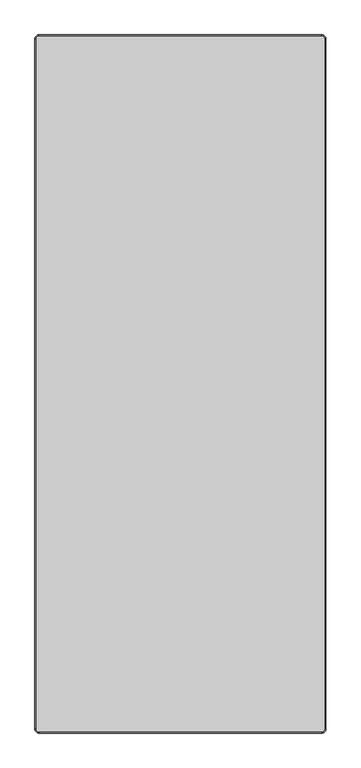
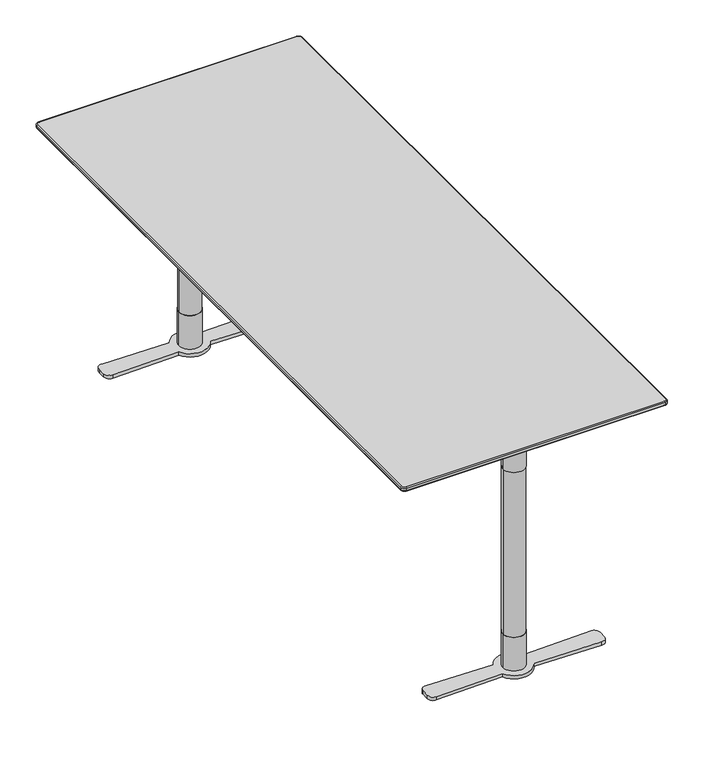
"""IFC4 building model written with IfcOpenShell, lengths in millimetres: furniture geometry."""

from ifc_helpers import new_model, si_unit, point, frame, frame_2d, origin, origin_with_axes, place, context, project, spatial, polyline, circle_curve, ellipse_curve, trimmed, segment, composite_curve, outline, extrude, source, transform, mapped, element, save
from ifc_brep_helpers import plane_surface, cylinder_surface, revolved_surface, spline_surface, advanced_brep


def furniture_7637d9da(model_context):
    return source(origin(), model_context, "Body", "SolidModel", [
        advanced_brep(
        [(-365.0, -898.6840403, 718.2400004), (-365.0, -900.0, 720.1193857), (-375.0, -890.0, 720.1193857), (-373.6840403, -890.0, 718.2400004), (-365.0, -900.0, 728.0), (-365.0, -898.0, 730.0), (-373.0, -890.0, 730.0), (-375.0, -890.0, 728.0), (365.0, -898.6840403, 718.2400004), (365.0, -900.0, 720.1193857), (365.0, -900.0, 728.0), (365.0, -898.0, 730.0), (373.6840403, -890.0, 718.2400004), (375.0, -890.0, 720.1193857), (375.0, -890.0, 728.0), (373.0, -890.0, 730.0), (373.6840403, 890.0, 718.2400004), (375.0, 890.0, 720.1193857), (375.0, 890.0, 728.0), (373.0, 890.0, 730.0), (365.0, 898.6840403, 718.2400004), (365.0, 900.0, 720.1193857), (365.0, 900.0, 728.0), (365.0, 898.0, 730.0), (-365.0, 898.6840403, 718.2400004), (-365.0, 900.0, 720.1193857), (-365.0, 900.0, 728.0), (-365.0, 898.0, 730.0), (-373.6840403, 890.0, 718.2400004), (-375.0, 890.0, 720.1193857), (-375.0, 890.0, 728.0), (-373.0, 890.0, 730.0)],
        [
            (0, 1, circle_curve(frame((-365.0, -898.0, 720.1193857), z_axis=(-1.0, 0.0, 0.0), x_axis=(0.0, 1.0, 0.0)), 2.0)),
            (1, 2, circle_curve(frame((-365.0, -890.0, 720.1193857), z_axis=(0.0, 0.0, -1.0), x_axis=(-1.0, 0.0, 0.0)), 10.0)),
            (2, 3, circle_curve(frame((-373.0, -890.0, 720.1193857), z_axis=(0.0, -1.0, 0.0), x_axis=(1.0, 0.0, 0.0)), 2.0)),
            (3, 0, circle_curve(frame((-365.0, -890.0, 718.2400004), z_axis=(0.0, 0.0, 1.0), x_axis=(-1.0, 0.0, 0.0)), 8.6840403)),
            (4, 5, circle_curve(frame((-365.0, -898.0, 728.0), z_axis=(-1.0, 0.0, 0.0), x_axis=(0.0, 1.0, 0.0)), 2.0)),
            (5, 6, circle_curve(frame((-365.0, -890.0, 730.0), z_axis=(0.0, 0.0, -1.0), x_axis=(-1.0, 0.0, 0.0)), 8.0)),
            (6, 7, circle_curve(frame((-373.0, -890.0, 728.0), z_axis=(0.0, -1.0, 0.0), x_axis=(1.0, 0.0, 0.0)), 2.0)),
            (7, 4, circle_curve(frame((-365.0, -890.0, 728.0), z_axis=(0.0, 0.0, 1.0), x_axis=(-1.0, 0.0, 0.0)), 10.0)),
            (0, 8),
            (8, 9, circle_curve(frame((365.0, -898.0, 720.1193857), z_axis=(-1.0, 0.0, 0.0), x_axis=(0.0, 1.0, 0.0)), 2.0)),
            (9, 1),
            (4, 10),
            (10, 11, circle_curve(frame((365.0, -898.0, 728.0), z_axis=(-1.0, 0.0, 0.0), x_axis=(0.0, 1.0, 0.0)), 2.0)),
            (11, 5),
            (8, 12, circle_curve(frame((365.0, -890.0, 718.2400004), z_axis=(0.0, 0.0, 1.0), x_axis=(0.0, -1.0, 0.0)), 8.6840403)),
            (12, 13, circle_curve(frame((373.0, -890.0, 720.1193857), z_axis=(0.0, -1.0, 0.0), x_axis=(-1.0, 0.0, 0.0)), 2.0)),
            (13, 9, circle_curve(frame((365.0, -890.0, 720.1193857), z_axis=(0.0, 0.0, -1.0), x_axis=(0.0, -1.0, 0.0)), 10.0)),
            (10, 14, circle_curve(frame((365.0, -890.0, 728.0), z_axis=(0.0, 0.0, 1.0), x_axis=(0.0, -1.0, 0.0)), 10.0)),
            (14, 15, circle_curve(frame((373.0, -890.0, 728.0), z_axis=(0.0, -1.0, 0.0), x_axis=(-1.0, 0.0, 0.0)), 2.0)),
            (15, 11, circle_curve(frame((365.0, -890.0, 730.0), z_axis=(0.0, 0.0, -1.0), x_axis=(0.0, -1.0, 0.0)), 8.0)),
            (12, 16),
            (16, 17, circle_curve(frame((373.0, 890.0, 720.1193857), z_axis=(0.0, -1.0, 0.0), x_axis=(-1.0, 0.0, 0.0)), 2.0)),
            (17, 13),
            (14, 18),
            (18, 19, circle_curve(frame((373.0, 890.0, 728.0), z_axis=(0.0, -1.0, 0.0), x_axis=(-1.0, 0.0, 0.0)), 2.0)),
            (19, 15),
            (16, 20, circle_curve(frame((365.0, 890.0, 718.2400004), z_axis=(0.0, 0.0, 1.0), x_axis=(1.0, 0.0, 0.0)), 8.6840403)),
            (20, 21, circle_curve(frame((365.0, 898.0, 720.1193857), z_axis=(1.0, 0.0, 0.0), x_axis=(0.0, -1.0, 0.0)), 2.0)),
            (21, 17, circle_curve(frame((365.0, 890.0, 720.1193857), z_axis=(0.0, 0.0, -1.0), x_axis=(1.0, 0.0, 0.0)), 10.0)),
            (18, 22, circle_curve(frame((365.0, 890.0, 728.0), z_axis=(0.0, 0.0, 1.0), x_axis=(1.0, 0.0, 0.0)), 10.0)),
            (22, 23, circle_curve(frame((365.0, 898.0, 728.0), z_axis=(1.0, 0.0, 0.0), x_axis=(0.0, -1.0, 0.0)), 2.0)),
            (23, 19, circle_curve(frame((365.0, 890.0, 730.0), z_axis=(0.0, 0.0, -1.0), x_axis=(1.0, 0.0, 0.0)), 8.0)),
            (20, 24),
            (24, 25, circle_curve(frame((-365.0, 898.0, 720.1193857), z_axis=(1.0, 0.0, 0.0), x_axis=(0.0, -1.0, 0.0)), 2.0)),
            (25, 21),
            (22, 26),
            (26, 27, circle_curve(frame((-365.0, 898.0, 728.0), z_axis=(1.0, 0.0, 0.0), x_axis=(0.0, -1.0, 0.0)), 2.0)),
            (27, 23),
            (24, 28, circle_curve(frame((-365.0, 890.0, 718.2400004), z_axis=(0.0, 0.0, 1.0), x_axis=(0.0, 1.0, 0.0)), 8.6840403)),
            (28, 29, circle_curve(frame((-373.0, 890.0, 720.1193857), z_axis=(0.0, 1.0, 0.0), x_axis=(1.0, 0.0, 0.0)), 2.0)),
            (29, 25, circle_curve(frame((-365.0, 890.0, 720.1193857), z_axis=(0.0, 0.0, -1.0), x_axis=(0.0, 1.0, 0.0)), 10.0)),
            (26, 30, circle_curve(frame((-365.0, 890.0, 728.0), z_axis=(0.0, 0.0, 1.0), x_axis=(0.0, 1.0, 0.0)), 10.0)),
            (30, 31, circle_curve(frame((-373.0, 890.0, 728.0), z_axis=(0.0, 1.0, 0.0), x_axis=(1.0, 0.0, 0.0)), 2.0)),
            (31, 27, circle_curve(frame((-365.0, 890.0, 730.0), z_axis=(0.0, 0.0, -1.0), x_axis=(0.0, 1.0, 0.0)), 8.0)),
            (2, 29),
            (28, 3),
            (6, 31),
            (30, 7),
            (22, 21),
            (25, 26),
            (30, 29),
            (2, 7),
            (4, 1),
            (9, 10),
            (14, 13),
            (17, 18),
        ],
        [
            revolved_surface(trimmed(ellipse_curve(frame((-373.0, -890.0, 720.1193857), z_axis=(0.0, 1.0, 0.0), x_axis=(1.0, 0.0, 0.0)), 2.0, 2.0), [point((-373.6840403, -890.0, 718.2400004))], [point((-375.0, -890.0, 720.1193857))], True, "CARTESIAN"), (-365.0, -890.0, 0.0), (0.0, 0.0, 1.0)),
            revolved_surface(trimmed(ellipse_curve(frame((-373.0, -890.0, 728.0), z_axis=(0.0, 1.0, 0.0), x_axis=(1.0, 0.0, 0.0)), 2.0, 2.0), [point((-375.0, -890.0, 728.0))], [point((-373.0, -890.0, 730.0))], True, "CARTESIAN"), (-365.0, -890.0, 0.0), (0.0, 0.0, 1.0)),
            cylinder_surface(frame((-365.0, -898.0, 720.1193857), z_axis=(1.0, 0.0, 0.0), x_axis=(0.0, 1.0, 0.0)), 2.0),
            cylinder_surface(frame((-365.0, -898.0, 728.0), z_axis=(1.0, 0.0, 0.0), x_axis=(0.0, 1.0, 0.0)), 2.0),
            revolved_surface(trimmed(ellipse_curve(frame((365.0, -898.0, 720.1193857), z_axis=(-1.0, 0.0, 0.0), x_axis=(0.0, 1.0, 0.0)), 2.0, 2.0), [point((365.0, -898.6840403, 718.2400004))], [point((365.0, -900.0, 720.1193857))], True, "CARTESIAN"), (365.0, -890.0, 0.0), (0.0, 0.0, 1.0)),
            revolved_surface(trimmed(ellipse_curve(frame((365.0, -898.0, 728.0), z_axis=(-1.0, 0.0, 0.0), x_axis=(0.0, 1.0, 0.0)), 2.0, 2.0), [point((365.0, -900.0, 728.0))], [point((365.0, -898.0, 730.0))], True, "CARTESIAN"), (365.0, -890.0, 0.0), (0.0, 0.0, 1.0)),
            cylinder_surface(frame((373.0, -890.0, 720.1193857), z_axis=(0.0, 1.0, 0.0), x_axis=(-1.0, 0.0, 0.0)), 2.0),
            cylinder_surface(frame((373.0, -890.0, 728.0), z_axis=(0.0, 1.0, 0.0), x_axis=(-1.0, 0.0, 0.0)), 2.0),
            revolved_surface(trimmed(ellipse_curve(frame((373.0, 890.0, 720.1193857), z_axis=(0.0, -1.0, 0.0), x_axis=(-1.0, 0.0, 0.0)), 2.0, 2.0), [point((373.6840403, 890.0, 718.2400004))], [point((375.0, 890.0, 720.1193857))], True, "CARTESIAN"), (365.0, 890.0, 0.0), (0.0, 0.0, 1.0)),
            revolved_surface(trimmed(ellipse_curve(frame((373.0, 890.0, 728.0), z_axis=(0.0, -1.0, 0.0), x_axis=(-1.0, 0.0, 0.0)), 2.0, 2.0), [point((375.0, 890.0, 728.0))], [point((373.0, 890.0, 730.0))], True, "CARTESIAN"), (365.0, 890.0, 0.0), (0.0, 0.0, 1.0)),
            cylinder_surface(frame((365.0, 898.0, 720.1193857), z_axis=(-1.0, 0.0, 0.0), x_axis=(0.0, -1.0, 0.0)), 2.0),
            cylinder_surface(frame((365.0, 898.0, 728.0), z_axis=(-1.0, 0.0, 0.0), x_axis=(0.0, -1.0, 0.0)), 2.0),
            revolved_surface(trimmed(ellipse_curve(frame((-365.0, 898.0, 720.1193857), z_axis=(1.0, 0.0, 0.0), x_axis=(0.0, -1.0, 0.0)), 2.0, 2.0), [point((-365.0, 898.6840403, 718.2400004))], [point((-365.0, 900.0, 720.1193857))], True, "CARTESIAN"), (-365.0, 890.0, 0.0), (0.0, 0.0, 1.0)),
            revolved_surface(trimmed(ellipse_curve(frame((-365.0, 898.0, 728.0), z_axis=(1.0, 0.0, 0.0), x_axis=(0.0, -1.0, 0.0)), 2.0, 2.0), [point((-365.0, 900.0, 728.0))], [point((-365.0, 898.0, 730.0))], True, "CARTESIAN"), (-365.0, 890.0, 0.0), (0.0, 0.0, 1.0)),
            cylinder_surface(frame((-373.0, 890.0, 720.1193857), z_axis=(0.0, -1.0, 0.0), x_axis=(1.0, 0.0, 0.0)), 2.0),
            cylinder_surface(frame((-373.0, 890.0, 728.0), z_axis=(0.0, -1.0, 0.0), x_axis=(1.0, 0.0, 0.0)), 2.0),
            plane_surface(frame((-305.0, 900.0, 730.0), z_axis=(0.0, 0.0, 1.0), x_axis=(-1.0, 0.0, 0.0))),
            plane_surface(frame((-305.0, 900.0, 718.2400004), z_axis=(0.0, 0.0, -1.0), x_axis=(1.0, 0.0, 0.0))),
            plane_surface(frame((365.0, 900.0, 730.0), z_axis=(0.0, 1.0, 0.0), x_axis=(0.0, 0.0, -1.0))),
            plane_surface(frame((-375.0, 890.0, 730.0), z_axis=(-1.0, 0.0, 0.0), x_axis=(0.0, 0.0, -1.0))),
            plane_surface(frame((-365.0, -900.0, 730.0), z_axis=(0.0, -1.0, 0.0), x_axis=(0.0, 0.0, -1.0))),
            plane_surface(frame((375.0, -890.0, 730.0), z_axis=(1.0, 0.0, 0.0), x_axis=(0.0, 0.0, -1.0))),
            cylinder_surface(frame((-365.0, 890.0, 718.2400004), z_axis=(0.0, 0.0, 1.0), x_axis=(1.0, 0.0, 0.0)), 10.0),
            cylinder_surface(frame((-365.0, -890.0, 718.2400004), z_axis=(0.0, 0.0, 1.0), x_axis=(1.0, 0.0, 0.0)), 10.0),
            cylinder_surface(frame((365.0, -890.0, 718.2400004), z_axis=(0.0, 0.0, 1.0), x_axis=(1.0, 0.0, 0.0)), 10.0),
            cylinder_surface(frame((365.0, 890.0, 718.2400004), z_axis=(0.0, 0.0, 1.0), x_axis=(1.0, 0.0, 0.0)), 10.0),
        ],
        [
            (0, [[1, 2, 3, 4]]),
            (1, [[5, 6, 7, 8]]),
            (2, [[-1, 9, 10, 11]]),
            (3, [[-5, 12, 13, 14]]),
            (4, [[-10, 15, 16, 17]]),
            (5, [[-13, 18, 19, 20]]),
            (6, [[-16, 21, 22, 23]]),
            (7, [[-19, 24, 25, 26]]),
            (8, [[-22, 27, 28, 29]]),
            (9, [[-25, 30, 31, 32]]),
            (10, [[-28, 33, 34, 35]]),
            (11, [[-31, 36, 37, 38]]),
            (12, [[-34, 39, 40, 41]]),
            (13, [[-37, 42, 43, 44]]),
            (14, [[-3, 45, -40, 46]]),
            (15, [[-7, 47, -43, 48]]),
            (16, [[-6, -14, -20, -26, -32, -38, -44, -47]]),
            (17, [[-4, -46, -39, -33, -27, -21, -15, -9]]),
            (18, [[49, -35, 50, -36]]),
            (19, [[51, -45, 52, -48]]),
            (20, [[53, -11, 54, -12]]),
            (21, [[55, -23, 56, -24]]),
            (22, [[-51, -42, -50, -41]]),
            (23, [[-53, -8, -52, -2]]),
            (24, [[-55, -18, -54, -17]]),
            (25, [[-49, -30, -56, -29]]),
        ],
    ),
        extrude(outline(composite_curve([segment(polyline([(-792.1006543, 642.9632916), (-792.1006543, 702.7932592), (-662.0000045, 702.7932592), (-662.0000045, 696.6995396)]), True, "CONTINUOUS"), segment(trimmed(circle_curve(frame_2d((-671.0000045, 696.6995396)), 9.0), [point((-662.0000045, 696.6995396))], [point((-667.9169166, 688.2440935))], False, "CARTESIAN"), True, "CONTINUOUS"), segment(polyline([(-667.9169166, 688.2440935), (-792.1006543, 642.9632916)]), True, "CONTINUOUS")], self_intersect=False)), frame((-2.5512191, 0.0, 0.0), z_axis=(1.0, 0.0, 0.0), x_axis=(0.0, 1.0, 0.0)), (0.0, 0.0, 1.0), 5.1024383),
        extrude(outline(polyline([(175.0000945, -839.2976854), (-175.0000945, -839.2976854), (-175.0000945, -617.041139), (175.0000945, -617.041139), (175.0000945, -839.2976854)])), frame((0.0, 0.0, 702.7932592), z_axis=(0.0, 0.0, 1.0), x_axis=(1.0, 0.0, 0.0)), (0.0, 0.0, 1.0), 5.0000027),
        extrude(outline(composite_curve([segment(trimmed(circle_curve(frame_2d((0.0, -792.1010023)), 31.0), [point((-31.0, -792.1010023))], [point((31.0, -792.1010023))], False, "CARTESIAN"), True, "CONTINUOUS"), segment(trimmed(circle_curve(frame_2d((0.0, -792.1010023)), 31.0), [point((31.0, -792.1010023))], [point((-31.0, -792.1010023))], False, "CARTESIAN"), True, "CONTINUOUS")], self_intersect=False)), frame((0.0, 0.0, 602.7932663), z_axis=(0.0, 0.0, 1.0), x_axis=(1.0, 0.0, 0.0)), (0.0, 0.0, 1.0), 99.999993),
        extrude(outline(composite_curve([segment(trimmed(circle_curve(frame_2d((0.0, -792.1010023)), 30.0), [point((-30.0, -792.1010023))], [point((30.0, -792.1010023))], False, "CARTESIAN"), True, "CONTINUOUS"), segment(trimmed(circle_curve(frame_2d((0.0, -792.1010023)), 30.0), [point((30.0, -792.1010023))], [point((-30.0, -792.1010023))], False, "CARTESIAN"), True, "CONTINUOUS")], self_intersect=False)), frame((0.0, 0.0, 110.0016526), z_axis=(0.0, 0.0, 1.0), x_axis=(1.0, 0.0, 0.0)), (0.0, 0.0, 1.0), 492.7916137),
        extrude(outline(composite_curve([segment(trimmed(circle_curve(frame_2d((0.0, -792.1010023)), 31.0), [point((-31.0, -792.1010023))], [point((31.0, -792.1010023))], False, "CARTESIAN"), True, "CONTINUOUS"), segment(trimmed(circle_curve(frame_2d((0.0, -792.1010023)), 31.0), [point((31.0, -792.1010023))], [point((-31.0, -792.1010023))], False, "CARTESIAN"), True, "CONTINUOUS")], self_intersect=False)), frame((0.0, 0.0, 10.0000044), z_axis=(0.0, 0.0, 1.0), x_axis=(1.0, 0.0, 0.0)), (0.0, 0.0, 1.0), 100.0016481),
        extrude(outline(composite_curve([segment(trimmed(circle_curve(frame_2d((-233.9319221, -802.6584625)), 16.0), [point((-233.5735334, -818.6544482))], [point((-249.9319221, -802.6584625))], False, "CARTESIAN"), True, "CONTINUOUS"), segment(polyline([(-249.9319221, -802.6584625), (-249.9319221, -781.3415191)]), True, "CONTINUOUS"), segment(trimmed(circle_curve(frame_2d((-233.9319221, -781.3415191)), 16.0), [point((-249.9319221, -781.3415191))], [point((-233.5735272, -765.3455336))], False, "CARTESIAN"), True, "CONTINUOUS"), segment(polyline([(-233.5735272, -765.3455336), (-44.690162, -769.5775224)]), True, "CONTINUOUS"), segment(trimmed(circle_curve(frame_2d((6.2e-06, -792.0008125)), 50.0001508), [point((-44.690162, -769.5775224))], [point((44.6901745, -769.5775224))], False, "CARTESIAN"), True, "CONTINUOUS"), segment(polyline([(44.6901745, -769.5775224), (233.6737057, -765.3455386)]), True, "CONTINUOUS"), segment(trimmed(circle_curve(frame_2d((234.0319103, -781.3415284)), 16.0), [point((233.6737057, -765.3455386))], [point((250.0319103, -781.3415284))], False, "CARTESIAN"), True, "CONTINUOUS"), segment(polyline([(250.0319103, -781.3415284), (250.0319103, -802.6584533)]), True, "CONTINUOUS"), segment(trimmed(circle_curve(frame_2d((234.0319103, -802.6584533)), 16.0), [point((250.0319103, -802.6584533))], [point((233.6737118, -818.6544432))], False, "CARTESIAN"), True, "CONTINUOUS"), segment(polyline([(233.6737118, -818.6544432), (44.6901745, -814.4225322)]), True, "CONTINUOUS"), segment(trimmed(circle_curve(frame_2d((6.2e-06, -792.0003263)), 49.9996645), [point((44.6901745, -814.4225322))], [point((-44.690162, -814.4225322))], False, "CARTESIAN"), True, "CONTINUOUS"), segment(polyline([(-44.690162, -814.4225322), (-233.5735334, -818.6544482)]), True, "CONTINUOUS")], self_intersect=False)), origin_with_axes(), (0.0, 0.0, 1.0), 10.0000044),
        extrude(outline(composite_curve([segment(polyline([(792.1006543, 642.9632916), (667.9169166, 688.2440935)]), True, "CONTINUOUS"), segment(trimmed(circle_curve(frame_2d((671.0000045, 696.6995396)), 9.0), [point((667.9169166, 688.2440935))], [point((662.0000045, 696.6995396))], False, "CARTESIAN"), True, "CONTINUOUS"), segment(polyline([(662.0000045, 696.6995396), (662.0000045, 702.7932592), (792.1006543, 702.7932592), (792.1006543, 642.9632916)]), True, "CONTINUOUS")], self_intersect=False)), frame((-2.5512191, 0.0, 0.0), z_axis=(1.0, 0.0, 0.0), x_axis=(0.0, 1.0, 0.0)), (0.0, 0.0, 1.0), 5.1024383),
        advanced_brep(
        [(365.0, 898.6840403, 718.2400004), (-365.0, 898.6840403, 718.2400004), (-373.6840403, 890.0, 718.2400004), (-373.6840403, -890.0, 718.2400004), (-365.0, -898.6840403, 718.2400004), (365.0, -898.6840403, 718.2400004), (373.6840403, -890.0, 718.2400004), (373.6840403, 890.0, 718.2400004), (337.030341, 870.0, 707.7932619), (345.0, 862.030341, 707.7932619), (345.0, -862.030341, 707.7932619), (337.030341, -870.0, 707.7932619), (-337.030341, -870.0, 707.7932619), (-345.0, -862.030341, 707.7932619), (-345.0, 862.030341, 707.7932619), (-337.030341, 870.0, 707.7932619)],
        [
            (0, 1),
            (1, 2, circle_curve(frame((-365.0, 890.0, 718.2400004), z_axis=(0.0, 0.0, 1.0), x_axis=(1.0, 0.0, 0.0)), 8.6840403)),
            (2, 3),
            (3, 4, circle_curve(frame((-365.0, -890.0, 718.2400004), z_axis=(0.0, 0.0, 1.0), x_axis=(1.0, 0.0, 0.0)), 8.6840403)),
            (4, 5),
            (5, 6, circle_curve(frame((365.0, -890.0, 718.2400004), z_axis=(0.0, 0.0, 1.0), x_axis=(1.0, 0.0, 0.0)), 8.6840403)),
            (6, 7),
            (7, 0, circle_curve(frame((365.0, 890.0, 718.2400004), z_axis=(0.0, 0.0, 1.0), x_axis=(1.0, 0.0, 0.0)), 8.6840403)),
            (8, 9, circle_curve(frame((337.030341, 862.030341, 707.7932619), z_axis=(0.0, 0.0, -1.0), x_axis=(1.0, 0.0, 0.0)), 7.969659)),
            (9, 10),
            (10, 11, circle_curve(frame((337.030341, -862.030341, 707.7932619), z_axis=(0.0, 0.0, -1.0), x_axis=(1.0, 0.0, 0.0)), 7.969659)),
            (11, 12),
            (12, 13, circle_curve(frame((-337.030341, -862.030341, 707.7932619), z_axis=(0.0, 0.0, -1.0), x_axis=(1.0, 0.0, 0.0)), 7.969659)),
            (13, 14),
            (14, 15, circle_curve(frame((-337.030341, 862.030341, 707.7932619), z_axis=(0.0, 0.0, -1.0), x_axis=(1.0, 0.0, 0.0)), 7.969659)),
            (15, 8),
            (15, 1),
            (0, 8),
            (14, 2),
            (13, 3),
            (12, 4),
            (11, 5),
            (10, 6),
            (9, 7),
        ],
        [
            plane_surface(frame((0.0, 0.0, 718.2400004), z_axis=(0.0, 0.0, 1.0), x_axis=(-1.0, 0.0, 0.0))),
            plane_surface(frame((0.0, 0.0, 707.7932619), z_axis=(0.0, 0.0, -1.0), x_axis=(-1.0, 0.0, 0.0))),
            plane_surface(frame((0.0, 870.0, 707.7932619), z_axis=(0.0, 0.34221109305817343, -0.9396230987943678), x_axis=(-1.0, 0.0, 0.0))),
            spline_surface(2, 1, [[(-337.030341, 870.0, 707.7932619), (-365.0, 898.6840403, 718.2400004)], [(-345.0, 870.0, 707.7932619), (-373.6840403, 898.6840403, 718.2400004)], [(-345.0, 862.030341, 707.7932619), (-373.6840403, 890.0, 718.2400004)]], [3, 3], [2, 2], [0.0, 1.0], [0.0, 1.0], weights=[[1.0, 1.0], [0.7071067811865476, 0.7071067811865476], [1.0, 1.0]]),
            plane_surface(frame((-345.0, 0.0, 707.7932619), z_axis=(-0.3422110930581856, 0.0, -0.9396230987943633), x_axis=(0.0, -1.0, 0.0))),
            spline_surface(2, 1, [[(-345.0, -862.030341, 707.7932619), (-373.6840403, -890.0, 718.2400004)], [(-345.0, -870.0, 707.7932619), (-373.6840403, -898.6840403, 718.2400004)], [(-337.030341, -870.0, 707.7932619), (-365.0, -898.6840403, 718.2400004)]], [3, 3], [2, 2], [0.0, 1.0], [0.0, 1.0], weights=[[1.0, 1.0], [0.7071067811865476, 0.7071067811865476], [1.0, 1.0]]),
            plane_surface(frame((0.0, -870.0, 707.7932619), z_axis=(0.0, -0.34221109305817204, -0.9396230987943682), x_axis=(1.0, 0.0, 0.0))),
            spline_surface(2, 1, [[(337.030341, -870.0, 707.7932619), (365.0, -898.6840403, 718.2400004)], [(345.0, -870.0, 707.7932619), (373.6840403, -898.6840403, 718.2400004)], [(345.0, -862.030341, 707.7932619), (373.6840403, -890.0, 718.2400004)]], [3, 3], [2, 2], [0.0, 1.0], [0.0, 1.0], weights=[[1.0, 1.0], [0.7071067811865476, 0.7071067811865476], [1.0, 1.0]]),
            plane_surface(frame((345.0, 0.0, 707.7932619), z_axis=(0.34221109305816205, 0.0, -0.939623098794372), x_axis=(0.0, 1.0, 0.0))),
            spline_surface(2, 1, [[(345.0, 862.030341, 707.7932619), (373.6840403, 890.0, 718.2400004)], [(345.0, 870.0, 707.7932619), (373.6840403, 898.6840403, 718.2400004)], [(337.030341, 870.0, 707.7932619), (365.0, 898.6840403, 718.2400004)]], [3, 3], [2, 2], [0.0, 1.0], [0.0, 1.0], weights=[[1.0, 1.0], [0.7071067811865476, 0.7071067811865476], [1.0, 1.0]]),
        ],
        [
            (0, [[1, 2, 3, 4, 5, 6, 7, 8]]),
            (1, [[9, 10, 11, 12, 13, 14, 15, 16]]),
            (2, [[-16, 17, -1, 18]]),
            (3, [[-15, 19, -2, -17]]),
            (4, [[-14, 20, -3, -19]]),
            (5, [[-13, 21, -4, -20]]),
            (6, [[-12, 22, -5, -21]]),
            (7, [[-11, 23, -6, -22]]),
            (8, [[-10, 24, -7, -23]]),
            (9, [[-9, -18, -8, -24]]),
        ],
    ),
        extrude(outline(polyline([(175.0000945, 839.2976854), (175.0000945, 617.041139), (-175.0000945, 617.041139), (-175.0000945, 839.2976854), (175.0000945, 839.2976854)])), frame((0.0, 0.0, 702.7932592), z_axis=(0.0, 0.0, 1.0), x_axis=(1.0, 0.0, 0.0)), (0.0, 0.0, 1.0), 5.0000027),
        extrude(outline(composite_curve([segment(trimmed(circle_curve(frame_2d((0.0, 792.1010023)), 31.0), [point((-31.0, 792.1010023))], [point((31.0, 792.1010023))], False, "CARTESIAN"), True, "CONTINUOUS"), segment(trimmed(circle_curve(frame_2d((0.0, 792.1010023)), 31.0), [point((31.0, 792.1010023))], [point((-31.0, 792.1010023))], False, "CARTESIAN"), True, "CONTINUOUS")], self_intersect=False)), frame((0.0, 0.0, 602.7932663), z_axis=(0.0, 0.0, 1.0), x_axis=(1.0, 0.0, 0.0)), (0.0, 0.0, 1.0), 99.999993),
        extrude(outline(composite_curve([segment(trimmed(circle_curve(frame_2d((0.0, 792.1010023)), 30.0), [point((-30.0, 792.1010023))], [point((30.0, 792.1010023))], False, "CARTESIAN"), True, "CONTINUOUS"), segment(trimmed(circle_curve(frame_2d((0.0, 792.1010023)), 30.0), [point((30.0, 792.1010023))], [point((-30.0, 792.1010023))], False, "CARTESIAN"), True, "CONTINUOUS")], self_intersect=False)), frame((0.0, 0.0, 110.0016526), z_axis=(0.0, 0.0, 1.0), x_axis=(1.0, 0.0, 0.0)), (0.0, 0.0, 1.0), 492.7916137),
        extrude(outline(composite_curve([segment(trimmed(circle_curve(frame_2d((0.0, 792.1010023)), 31.0), [point((-31.0, 792.1010023))], [point((31.0, 792.1010023))], False, "CARTESIAN"), True, "CONTINUOUS"), segment(trimmed(circle_curve(frame_2d((0.0, 792.1010023)), 31.0), [point((31.0, 792.1010023))], [point((-31.0, 792.1010023))], False, "CARTESIAN"), True, "CONTINUOUS")], self_intersect=False)), frame((0.0, 0.0, 10.0000044), z_axis=(0.0, 0.0, 1.0), x_axis=(1.0, 0.0, 0.0)), (0.0, 0.0, 1.0), 100.0016481),
        extrude(outline(composite_curve([segment(polyline([(-233.5735334, 818.6544482), (-44.690162, 814.4225322)]), True, "CONTINUOUS"), segment(trimmed(circle_curve(frame_2d((6.2e-06, 792.0003263)), 49.9996645), [point((-44.690162, 814.4225322))], [point((44.6901745, 814.4225322))], False, "CARTESIAN"), True, "CONTINUOUS"), segment(polyline([(44.6901745, 814.4225322), (233.6737118, 818.6544432)]), True, "CONTINUOUS"), segment(trimmed(circle_curve(frame_2d((234.0319103, 802.6584533)), 16.0), [point((233.6737118, 818.6544432))], [point((250.0319103, 802.6584533))], False, "CARTESIAN"), True, "CONTINUOUS"), segment(polyline([(250.0319103, 802.6584533), (250.0319103, 781.3415284)]), True, "CONTINUOUS"), segment(trimmed(circle_curve(frame_2d((234.0319103, 781.3415284)), 16.0), [point((250.0319103, 781.3415284))], [point((233.6737057, 765.3455386))], False, "CARTESIAN"), True, "CONTINUOUS"), segment(polyline([(233.6737057, 765.3455386), (44.6901745, 769.5775224)]), True, "CONTINUOUS"), segment(trimmed(circle_curve(frame_2d((6.2e-06, 792.0008125)), 50.0001508), [point((44.6901745, 769.5775224))], [point((-44.690162, 769.5775224))], False, "CARTESIAN"), True, "CONTINUOUS"), segment(polyline([(-44.690162, 769.5775224), (-233.5735272, 765.3455336)]), True, "CONTINUOUS"), segment(trimmed(circle_curve(frame_2d((-233.9319221, 781.3415191)), 16.0), [point((-233.5735272, 765.3455336))], [point((-249.9319221, 781.3415191))], False, "CARTESIAN"), True, "CONTINUOUS"), segment(polyline([(-249.9319221, 781.3415191), (-249.9319221, 802.6584625)]), True, "CONTINUOUS"), segment(trimmed(circle_curve(frame_2d((-233.9319221, 802.6584625)), 16.0), [point((-249.9319221, 802.6584625))], [point((-233.5735334, 818.6544482))], False, "CARTESIAN"), True, "CONTINUOUS")], self_intersect=False)), origin_with_axes(), (0.0, 0.0, 1.0), 10.0000044),
    ])


if __name__ == "__main__":
    model = new_model("IFC4")
    model_context = context("Model", 3, world=origin())
    ifc_project = project(units=[si_unit("LENGTHUNIT", "METRE", prefix="MILLI")], contexts=[model_context])
    site = spatial("IfcSite", under=ifc_project)
    building = spatial("IfcBuilding", under=site)
    placement = place(None, origin())
    furniture_shape = furniture_7637d9da(model_context)
    element("IfcFurniture", 1, at=placement, inside=building, context=model_context, shape_type="MappedRepresentation", body=[
        mapped(furniture_shape, transform((0.0, 0.0, 0.0), x_axis=(1.0, 0.0, 0.0), y_axis=(0.0, 1.0, 0.0), z_axis=(0.0, 0.0, 1.0))),
    ])
    save(model, "model.ifc")
